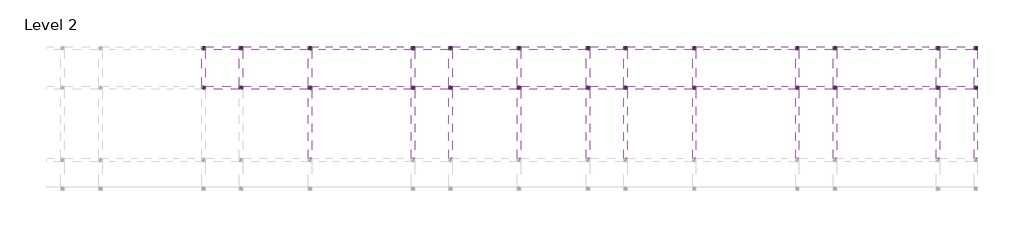
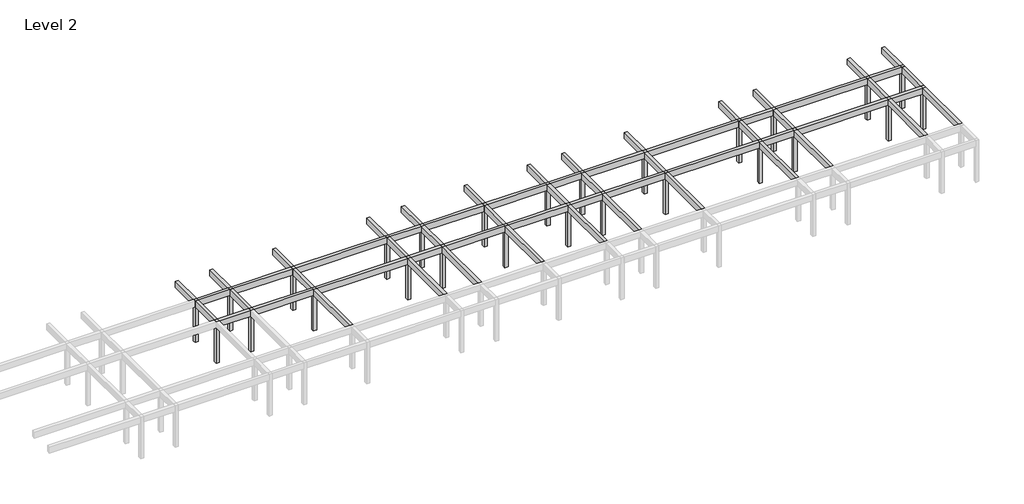
# One storey, part 3 of 3: 48 beams, 26 columns.
"""IFC4 building model written with IfcOpenShell, lengths in millimetres."""

from ifc_helpers import new_model, si_unit, frame, origin, place, context, project, spatial, polyline, outline, extrude, element, save

model = new_model("IFC4")

# Units and contexts
model_context = context("Model", 3, world=origin())
ifc_project = project(units=[si_unit("LENGTHUNIT", "METRE", prefix="MILLI")], contexts=[model_context])

# Site, building, storey
site = spatial("IfcSite", under=ifc_project)
building = spatial("IfcBuilding", under=site)
storey = spatial("IfcBuildingStorey", under=building, Name="Level 2", Elevation=4200.0)

# Beams
placement = place(None, origin())
element("IfcBeam", 1, ObjectType="M_Concrete-Rectangular Beam : 300 x 600mm", at=placement, inside=storey, context=model_context, shape_type="SweptSolid", body=[
    extrude(outline(polyline([(4295.953533, 12624.2507663), (4595.953533, 12624.2507663), (4595.953533, 9624.2507663), (4295.953533, 9624.2507663), (4295.953533, 12624.2507663)])), frame((0.0, 0.0, 7800.0), z_axis=(0.0, 0.0, 1.0), x_axis=(1.0, 0.0, 0.0)), (0.0, 0.0, 1.0), 600.0),
    extrude(outline(polyline([(4595.953533, 6174.2507663), (4295.953533, 6174.2507663), (4295.953533, 9324.2507663), (4595.953533, 9324.2507663), (4595.953533, 6174.2507663)])), frame((0.0, 0.0, 7800.0), z_axis=(0.0, 0.0, 1.0), x_axis=(1.0, 0.0, 0.0)), (0.0, 0.0, 1.0), 600.0),
])
element("IfcBeam", 2, ObjectType="M_Concrete-Rectangular Beam : 300 x 600mm", at=placement, inside=storey, context=model_context, shape_type="SweptSolid", body=[
    extrude(outline(polyline([(7595.953533, 12624.2507663), (7895.953533, 12624.2507663), (7895.953533, 9624.2507663), (7595.953533, 9624.2507663), (7595.953533, 12624.2507663)])), frame((0.0, 0.0, 7800.0), z_axis=(0.0, 0.0, 1.0), x_axis=(1.0, 0.0, 0.0)), (0.0, 0.0, 1.0), 600.0),
    extrude(outline(polyline([(7895.953533, 6174.2507663), (7595.953533, 6174.2507663), (7595.953533, 9324.2507663), (7895.953533, 9324.2507663), (7895.953533, 6174.2507663)])), frame((0.0, 0.0, 7800.0), z_axis=(0.0, 0.0, 1.0), x_axis=(1.0, 0.0, 0.0)), (0.0, 0.0, 1.0), 600.0),
])
element("IfcBeam", 3, ObjectType="M_Concrete-Rectangular Beam : 300 x 600mm", at=placement, inside=storey, context=model_context, shape_type="SweptSolid", body=[
    extrude(outline(polyline([(13595.953533, 5874.2507663), (13895.953533, 5874.2507663), (13895.953533, -125.7492337), (13595.953533, -125.7492337), (13595.953533, 5874.2507663)])), frame((0.0, 0.0, 7800.0), z_axis=(0.0, 0.0, 1.0), x_axis=(1.0, 0.0, 0.0)), (0.0, 0.0, 1.0), 600.0),
])
element("IfcBeam", 4, ObjectType="M_Concrete-Rectangular Beam : 300 x 600mm", at=placement, inside=storey, context=model_context, shape_type="SweptSolid", body=[
    extrude(outline(polyline([(13595.953533, 12624.2507663), (13895.953533, 12624.2507663), (13895.953533, 9624.2507663), (13595.953533, 9624.2507663), (13595.953533, 12624.2507663)])), frame((0.0, 0.0, 7800.0), z_axis=(0.0, 0.0, 1.0), x_axis=(1.0, 0.0, 0.0)), (0.0, 0.0, 1.0), 600.0),
    extrude(outline(polyline([(13895.953533, 6174.2507663), (13595.953533, 6174.2507663), (13595.953533, 9324.2507663), (13895.953533, 9324.2507663), (13895.953533, 6174.2507663)])), frame((0.0, 0.0, 7800.0), z_axis=(0.0, 0.0, 1.0), x_axis=(1.0, 0.0, 0.0)), (0.0, 0.0, 1.0), 600.0),
])
element("IfcBeam", 5, ObjectType="M_Concrete-Rectangular Beam : 300 x 600mm", at=placement, inside=storey, context=model_context, shape_type="SweptSolid", body=[
    extrude(outline(polyline([(25895.953533, 5874.2507663), (26195.953533, 5874.2507663), (26195.953533, -125.7492337), (25895.953533, -125.7492337), (25895.953533, 5874.2507663)])), frame((0.0, 0.0, 7800.0), z_axis=(0.0, 0.0, 1.0), x_axis=(1.0, 0.0, 0.0)), (0.0, 0.0, 1.0), 600.0),
])
element("IfcBeam", 6, ObjectType="M_Concrete-Rectangular Beam : 300 x 600mm", at=placement, inside=storey, context=model_context, shape_type="SweptSolid", body=[
    extrude(outline(polyline([(25895.953533, 12624.2507663), (26195.953533, 12624.2507663), (26195.953533, 9624.2507663), (25895.953533, 9624.2507663), (25895.953533, 12624.2507663)])), frame((0.0, 0.0, 7800.0), z_axis=(0.0, 0.0, 1.0), x_axis=(1.0, 0.0, 0.0)), (0.0, 0.0, 1.0), 600.0),
    extrude(outline(polyline([(26195.953533, 6174.2507663), (25895.953533, 6174.2507663), (25895.953533, 9324.2507663), (26195.953533, 9324.2507663), (26195.953533, 6174.2507663)])), frame((0.0, 0.0, 7800.0), z_axis=(0.0, 0.0, 1.0), x_axis=(1.0, 0.0, 0.0)), (0.0, 0.0, 1.0), 600.0),
])
element("IfcBeam", 7, ObjectType="M_Concrete-Rectangular Beam : 300 x 600mm", at=placement, inside=storey, context=model_context, shape_type="SweptSolid", body=[
    extrude(outline(polyline([(22595.953533, 5874.2507663), (22895.953533, 5874.2507663), (22895.953533, -125.7492337), (22595.953533, -125.7492337), (22595.953533, 5874.2507663)])), frame((0.0, 0.0, 7800.0), z_axis=(0.0, 0.0, 1.0), x_axis=(1.0, 0.0, 0.0)), (0.0, 0.0, 1.0), 600.0),
])
element("IfcBeam", 8, ObjectType="M_Concrete-Rectangular Beam : 300 x 600mm", at=placement, inside=storey, context=model_context, shape_type="SweptSolid", body=[
    extrude(outline(polyline([(22595.953533, 12624.2507663), (22895.953533, 12624.2507663), (22895.953533, 9624.2507663), (22595.953533, 9624.2507663), (22595.953533, 12624.2507663)])), frame((0.0, 0.0, 7800.0), z_axis=(0.0, 0.0, 1.0), x_axis=(1.0, 0.0, 0.0)), (0.0, 0.0, 1.0), 600.0),
    extrude(outline(polyline([(22895.953533, 6174.2507663), (22595.953533, 6174.2507663), (22595.953533, 9324.2507663), (22895.953533, 9324.2507663), (22895.953533, 6174.2507663)])), frame((0.0, 0.0, 7800.0), z_axis=(0.0, 0.0, 1.0), x_axis=(1.0, 0.0, 0.0)), (0.0, 0.0, 1.0), 600.0),
])
element("IfcBeam", 9, ObjectType="M_Concrete-Rectangular Beam : 300 x 600mm", at=placement, inside=storey, context=model_context, shape_type="SweptSolid", body=[
    extrude(outline(polyline([(31895.953533, 5874.2507663), (32195.953533, 5874.2507663), (32195.953533, -125.7492337), (31895.953533, -125.7492337), (31895.953533, 5874.2507663)])), frame((0.0, 0.0, 7800.0), z_axis=(0.0, 0.0, 1.0), x_axis=(1.0, 0.0, 0.0)), (0.0, 0.0, 1.0), 600.0),
])
element("IfcBeam", 10, ObjectType="M_Concrete-Rectangular Beam : 300 x 600mm", at=placement, inside=storey, context=model_context, shape_type="SweptSolid", body=[
    extrude(outline(polyline([(31895.953533, 12624.2507663), (32195.953533, 12624.2507663), (32195.953533, 9624.2507663), (31895.953533, 9624.2507663), (31895.953533, 12624.2507663)])), frame((0.0, 0.0, 7800.0), z_axis=(0.0, 0.0, 1.0), x_axis=(1.0, 0.0, 0.0)), (0.0, 0.0, 1.0), 600.0),
    extrude(outline(polyline([(31895.953533, 9324.2507663), (32195.953533, 9324.2507663), (32195.953533, 6174.2507663), (31895.953533, 6174.2507663), (31895.953533, 9324.2507663)])), frame((0.0, 0.0, 7800.0), z_axis=(0.0, 0.0, 1.0), x_axis=(1.0, 0.0, 0.0)), (0.0, 0.0, 1.0), 600.0),
])
element("IfcBeam", 11, ObjectType="M_Concrete-Rectangular Beam : 300 x 600mm", at=placement, inside=storey, context=model_context, shape_type="SweptSolid", body=[
    extrude(outline(polyline([(37895.953533, 5874.2507663), (38195.953533, 5874.2507663), (38195.953533, -125.7492337), (37895.953533, -125.7492337), (37895.953533, 5874.2507663)])), frame((0.0, 0.0, 7800.0), z_axis=(0.0, 0.0, 1.0), x_axis=(1.0, 0.0, 0.0)), (0.0, 0.0, 1.0), 600.0),
])
element("IfcBeam", 12, ObjectType="M_Concrete-Rectangular Beam : 300 x 600mm", at=placement, inside=storey, context=model_context, shape_type="SweptSolid", body=[
    extrude(outline(polyline([(37895.953533, 12624.2507663), (38195.953533, 12624.2507663), (38195.953533, 9624.2507663), (37895.953533, 9624.2507663), (37895.953533, 12624.2507663)])), frame((0.0, 0.0, 7800.0), z_axis=(0.0, 0.0, 1.0), x_axis=(1.0, 0.0, 0.0)), (0.0, 0.0, 1.0), 600.0),
    extrude(outline(polyline([(37895.953533, 9324.2507663), (38195.953533, 9324.2507663), (38195.953533, 6174.2507663), (37895.953533, 6174.2507663), (37895.953533, 9324.2507663)])), frame((0.0, 0.0, 7800.0), z_axis=(0.0, 0.0, 1.0), x_axis=(1.0, 0.0, 0.0)), (0.0, 0.0, 1.0), 600.0),
])
element("IfcBeam", 13, ObjectType="M_Concrete-Rectangular Beam : 300 x 600mm", at=placement, inside=storey, context=model_context, shape_type="SweptSolid", body=[
    extrude(outline(polyline([(41195.953533, 5874.2507663), (41495.953533, 5874.2507663), (41495.953533, -125.7492337), (41195.953533, -125.7492337), (41195.953533, 5874.2507663)])), frame((0.0, 0.0, 7800.0), z_axis=(0.0, 0.0, 1.0), x_axis=(1.0, 0.0, 0.0)), (0.0, 0.0, 1.0), 600.0),
])
element("IfcBeam", 14, ObjectType="M_Concrete-Rectangular Beam : 300 x 600mm", at=placement, inside=storey, context=model_context, shape_type="SweptSolid", body=[
    extrude(outline(polyline([(41195.953533, 12624.2507663), (41495.953533, 12624.2507663), (41495.953533, 9624.2507663), (41195.953533, 9624.2507663), (41195.953533, 12624.2507663)])), frame((0.0, 0.0, 7800.0), z_axis=(0.0, 0.0, 1.0), x_axis=(1.0, 0.0, 0.0)), (0.0, 0.0, 1.0), 600.0),
    extrude(outline(polyline([(41195.953533, 9324.2507663), (41495.953533, 9324.2507663), (41495.953533, 6174.2507663), (41195.953533, 6174.2507663), (41195.953533, 9324.2507663)])), frame((0.0, 0.0, 7800.0), z_axis=(0.0, 0.0, 1.0), x_axis=(1.0, 0.0, 0.0)), (0.0, 0.0, 1.0), 600.0),
])
element("IfcBeam", 15, ObjectType="M_Concrete-Rectangular Beam : 300 x 600mm", at=placement, inside=storey, context=model_context, shape_type="SweptSolid", body=[
    extrude(outline(polyline([(47195.953533, 5874.2507663), (47495.953533, 5874.2507663), (47495.953533, -125.7492337), (47195.953533, -125.7492337), (47195.953533, 5874.2507663)])), frame((0.0, 0.0, 7800.0), z_axis=(0.0, 0.0, 1.0), x_axis=(1.0, 0.0, 0.0)), (0.0, 0.0, 1.0), 600.0),
])
element("IfcBeam", 16, ObjectType="M_Concrete-Rectangular Beam : 300 x 600mm", at=placement, inside=storey, context=model_context, shape_type="SweptSolid", body=[
    extrude(outline(polyline([(47195.953533, 12624.2507663), (47495.953533, 12624.2507663), (47495.953533, 9624.2507663), (47195.953533, 9624.2507663), (47195.953533, 12624.2507663)])), frame((0.0, 0.0, 7800.0), z_axis=(0.0, 0.0, 1.0), x_axis=(1.0, 0.0, 0.0)), (0.0, 0.0, 1.0), 600.0),
    extrude(outline(polyline([(47195.953533, 9324.2507663), (47495.953533, 9324.2507663), (47495.953533, 6174.2507663), (47195.953533, 6174.2507663), (47195.953533, 9324.2507663)])), frame((0.0, 0.0, 7800.0), z_axis=(0.0, 0.0, 1.0), x_axis=(1.0, 0.0, 0.0)), (0.0, 0.0, 1.0), 600.0),
])
element("IfcBeam", 17, ObjectType="M_Concrete-Rectangular Beam : 300 x 600mm", at=placement, inside=storey, context=model_context, shape_type="SweptSolid", body=[
    extrude(outline(polyline([(56195.953533, 5874.2507663), (56495.953533, 5874.2507663), (56495.953533, -125.7492337), (56195.953533, -125.7492337), (56195.953533, 5874.2507663)])), frame((0.0, 0.0, 7800.0), z_axis=(0.0, 0.0, 1.0), x_axis=(1.0, 0.0, 0.0)), (0.0, 0.0, 1.0), 600.0),
])
element("IfcBeam", 18, ObjectType="M_Concrete-Rectangular Beam : 300 x 600mm", at=placement, inside=storey, context=model_context, shape_type="SweptSolid", body=[
    extrude(outline(polyline([(56195.953533, 12624.2507663), (56495.953533, 12624.2507663), (56495.953533, 9624.2507663), (56195.953533, 9624.2507663), (56195.953533, 12624.2507663)])), frame((0.0, 0.0, 7800.0), z_axis=(0.0, 0.0, 1.0), x_axis=(1.0, 0.0, 0.0)), (0.0, 0.0, 1.0), 600.0),
    extrude(outline(polyline([(56495.953533, 6174.2507663), (56195.953533, 6174.2507663), (56195.953533, 9324.2507663), (56495.953533, 9324.2507663), (56495.953533, 6174.2507663)])), frame((0.0, 0.0, 7800.0), z_axis=(0.0, 0.0, 1.0), x_axis=(1.0, 0.0, 0.0)), (0.0, 0.0, 1.0), 600.0),
])
element("IfcBeam", 19, ObjectType="M_Concrete-Rectangular Beam : 300 x 600mm", at=placement, inside=storey, context=model_context, shape_type="SweptSolid", body=[
    extrude(outline(polyline([(59495.953533, 5874.2507663), (59795.953533, 5874.2507663), (59795.953533, -125.7492337), (59495.953533, -125.7492337), (59495.953533, 5874.2507663)])), frame((0.0, 0.0, 7800.0), z_axis=(0.0, 0.0, 1.0), x_axis=(1.0, 0.0, 0.0)), (0.0, 0.0, 1.0), 600.0),
])
element("IfcBeam", 20, ObjectType="M_Concrete-Rectangular Beam : 300 x 600mm", at=placement, inside=storey, context=model_context, shape_type="SweptSolid", body=[
    extrude(outline(polyline([(59495.953533, 12624.2507663), (59795.953533, 12624.2507663), (59795.953533, 9624.2507663), (59495.953533, 9624.2507663), (59495.953533, 12624.2507663)])), frame((0.0, 0.0, 7800.0), z_axis=(0.0, 0.0, 1.0), x_axis=(1.0, 0.0, 0.0)), (0.0, 0.0, 1.0), 600.0),
    extrude(outline(polyline([(59795.953533, 6174.2507663), (59495.953533, 6174.2507663), (59495.953533, 9324.2507663), (59795.953533, 9324.2507663), (59795.953533, 6174.2507663)])), frame((0.0, 0.0, 7800.0), z_axis=(0.0, 0.0, 1.0), x_axis=(1.0, 0.0, 0.0)), (0.0, 0.0, 1.0), 600.0),
])
element("IfcBeam", 21, ObjectType="M_Concrete-Rectangular Beam : 300 x 600mm", at=placement, inside=storey, context=model_context, shape_type="SweptSolid", body=[
    extrude(outline(polyline([(68495.953533, 5874.2507663), (68795.953533, 5874.2507663), (68795.953533, -125.7492337), (68495.953533, -125.7492337), (68495.953533, 5874.2507663)])), frame((0.0, 0.0, 7800.0), z_axis=(0.0, 0.0, 1.0), x_axis=(1.0, 0.0, 0.0)), (0.0, 0.0, 1.0), 600.0),
])
element("IfcBeam", 22, ObjectType="M_Concrete-Rectangular Beam : 300 x 600mm", at=placement, inside=storey, context=model_context, shape_type="SweptSolid", body=[
    extrude(outline(polyline([(68495.953533, 12624.2507663), (68795.953533, 12624.2507663), (68795.953533, 9624.2507663), (68495.953533, 9624.2507663), (68495.953533, 12624.2507663)])), frame((0.0, 0.0, 7800.0), z_axis=(0.0, 0.0, 1.0), x_axis=(1.0, 0.0, 0.0)), (0.0, 0.0, 1.0), 600.0),
    extrude(outline(polyline([(68795.953533, 6174.2507663), (68495.953533, 6174.2507663), (68495.953533, 9324.2507663), (68795.953533, 9324.2507663), (68795.953533, 6174.2507663)])), frame((0.0, 0.0, 7800.0), z_axis=(0.0, 0.0, 1.0), x_axis=(1.0, 0.0, 0.0)), (0.0, 0.0, 1.0), 600.0),
])
element("IfcBeam", 23, ObjectType="M_Concrete-Rectangular Beam : 300 x 600mm", at=placement, inside=storey, context=model_context, shape_type="SweptSolid", body=[
    extrude(outline(polyline([(71795.953533, 5874.2507663), (72095.953533, 5874.2507663), (72095.953533, -125.7492337), (71795.953533, -125.7492337), (71795.953533, 5874.2507663)])), frame((0.0, 0.0, 7800.0), z_axis=(0.0, 0.0, 1.0), x_axis=(1.0, 0.0, 0.0)), (0.0, 0.0, 1.0), 600.0),
])
element("IfcBeam", 24, ObjectType="M_Concrete-Rectangular Beam : 300 x 600mm", at=placement, inside=storey, context=model_context, shape_type="SweptSolid", body=[
    extrude(outline(polyline([(71795.953533, 12624.2507663), (72095.953533, 12624.2507663), (72095.953533, 9624.2507663), (71795.953533, 9624.2507663), (71795.953533, 12624.2507663)])), frame((0.0, 0.0, 7800.0), z_axis=(0.0, 0.0, 1.0), x_axis=(1.0, 0.0, 0.0)), (0.0, 0.0, 1.0), 600.0),
    extrude(outline(polyline([(71795.953533, 9324.2507663), (72095.953533, 9324.2507663), (72095.953533, 6174.2507663), (71795.953533, 6174.2507663), (71795.953533, 9324.2507663)])), frame((0.0, 0.0, 7800.0), z_axis=(0.0, 0.0, 1.0), x_axis=(1.0, 0.0, 0.0)), (0.0, 0.0, 1.0), 600.0),
])
element("IfcBeam", 25, ObjectType="M_Concrete-Rectangular Beam : 300 x 600mm", at=placement, inside=storey, context=model_context, shape_type="SweptSolid", body=[
    extrude(outline(polyline([(4595.953533, 9324.2507663), (4595.953533, 9624.2507663), (7595.953533, 9624.2507663), (7595.953533, 9324.2507663), (4595.953533, 9324.2507663)])), frame((0.0, 0.0, 7800.0), z_axis=(0.0, 0.0, 1.0), x_axis=(1.0, 0.0, 0.0)), (0.0, 0.0, 1.0), 600.0),
])
element("IfcBeam", 26, ObjectType="M_Concrete-Rectangular Beam : 300 x 600mm", at=placement, inside=storey, context=model_context, shape_type="SweptSolid", body=[
    extrude(outline(polyline([(7895.953533, 9324.2507663), (7895.953533, 9624.2507663), (13595.953533, 9624.2507663), (13595.953533, 9324.2507663), (7895.953533, 9324.2507663)])), frame((0.0, 0.0, 7800.0), z_axis=(0.0, 0.0, 1.0), x_axis=(1.0, 0.0, 0.0)), (0.0, 0.0, 1.0), 600.0),
])
element("IfcBeam", 27, ObjectType="M_Concrete-Rectangular Beam : 300 x 600mm", at=placement, inside=storey, context=model_context, shape_type="SweptSolid", body=[
    extrude(outline(polyline([(13895.953533, 9324.2507663), (13895.953533, 9624.2507663), (22595.953533, 9624.2507663), (22595.953533, 9324.2507663), (13895.953533, 9324.2507663)])), frame((0.0, 0.0, 7800.0), z_axis=(0.0, 0.0, 1.0), x_axis=(1.0, 0.0, 0.0)), (0.0, 0.0, 1.0), 600.0),
])
element("IfcBeam", 28, ObjectType="M_Concrete-Rectangular Beam : 300 x 600mm", at=placement, inside=storey, context=model_context, shape_type="SweptSolid", body=[
    extrude(outline(polyline([(25895.953533, 9624.2507663), (25895.953533, 9324.2507663), (22895.953533, 9324.2507663), (22895.953533, 9624.2507663), (25895.953533, 9624.2507663)])), frame((0.0, 0.0, 7800.0), z_axis=(0.0, 0.0, 1.0), x_axis=(1.0, 0.0, 0.0)), (0.0, 0.0, 1.0), 600.0),
])
element("IfcBeam", 29, ObjectType="M_Concrete-Rectangular Beam : 300 x 600mm", at=placement, inside=storey, context=model_context, shape_type="SweptSolid", body=[
    extrude(outline(polyline([(26195.953533, 9324.2507663), (26195.953533, 9624.2507663), (31895.953533, 9624.2507663), (31895.953533, 9324.2507663), (26195.953533, 9324.2507663)])), frame((0.0, 0.0, 7800.0), z_axis=(0.0, 0.0, 1.0), x_axis=(1.0, 0.0, 0.0)), (0.0, 0.0, 1.0), 600.0),
])
element("IfcBeam", 30, ObjectType="M_Concrete-Rectangular Beam : 300 x 600mm", at=placement, inside=storey, context=model_context, shape_type="SweptSolid", body=[
    extrude(outline(polyline([(32195.953533, 9324.2507663), (32195.953533, 9624.2507663), (37895.953533, 9624.2507663), (37895.953533, 9324.2507663), (32195.953533, 9324.2507663)])), frame((0.0, 0.0, 7800.0), z_axis=(0.0, 0.0, 1.0), x_axis=(1.0, 0.0, 0.0)), (0.0, 0.0, 1.0), 600.0),
])
element("IfcBeam", 31, ObjectType="M_Concrete-Rectangular Beam : 300 x 600mm", at=placement, inside=storey, context=model_context, shape_type="SweptSolid", body=[
    extrude(outline(polyline([(38195.953533, 9324.2507663), (38195.953533, 9624.2507663), (41195.953533, 9624.2507663), (41195.953533, 9324.2507663), (38195.953533, 9324.2507663)])), frame((0.0, 0.0, 7800.0), z_axis=(0.0, 0.0, 1.0), x_axis=(1.0, 0.0, 0.0)), (0.0, 0.0, 1.0), 600.0),
])
element("IfcBeam", 32, ObjectType="M_Concrete-Rectangular Beam : 300 x 600mm", at=placement, inside=storey, context=model_context, shape_type="SweptSolid", body=[
    extrude(outline(polyline([(41495.953533, 9324.2507663), (41495.953533, 9624.2507663), (47195.953533, 9624.2507663), (47195.953533, 9324.2507663), (41495.953533, 9324.2507663)])), frame((0.0, 0.0, 7800.0), z_axis=(0.0, 0.0, 1.0), x_axis=(1.0, 0.0, 0.0)), (0.0, 0.0, 1.0), 600.0),
])
element("IfcBeam", 33, ObjectType="M_Concrete-Rectangular Beam : 300 x 600mm", at=placement, inside=storey, context=model_context, shape_type="SweptSolid", body=[
    extrude(outline(polyline([(47495.953533, 9324.2507663), (47495.953533, 9624.2507663), (56195.953533, 9624.2507663), (56195.953533, 9324.2507663), (47495.953533, 9324.2507663)])), frame((0.0, 0.0, 7800.0), z_axis=(0.0, 0.0, 1.0), x_axis=(1.0, 0.0, 0.0)), (0.0, 0.0, 1.0), 600.0),
])
element("IfcBeam", 34, ObjectType="M_Concrete-Rectangular Beam : 300 x 600mm", at=placement, inside=storey, context=model_context, shape_type="SweptSolid", body=[
    extrude(outline(polyline([(56495.953533, 9324.2507663), (56495.953533, 9624.2507663), (59495.953533, 9624.2507663), (59495.953533, 9324.2507663), (56495.953533, 9324.2507663)])), frame((0.0, 0.0, 7800.0), z_axis=(0.0, 0.0, 1.0), x_axis=(1.0, 0.0, 0.0)), (0.0, 0.0, 1.0), 600.0),
])
element("IfcBeam", 35, ObjectType="M_Concrete-Rectangular Beam : 300 x 600mm", at=placement, inside=storey, context=model_context, shape_type="SweptSolid", body=[
    extrude(outline(polyline([(59795.953533, 9324.2507663), (59795.953533, 9624.2507663), (68495.953533, 9624.2507663), (68495.953533, 9324.2507663), (59795.953533, 9324.2507663)])), frame((0.0, 0.0, 7800.0), z_axis=(0.0, 0.0, 1.0), x_axis=(1.0, 0.0, 0.0)), (0.0, 0.0, 1.0), 600.0),
])
element("IfcBeam", 36, ObjectType="M_Concrete-Rectangular Beam : 300 x 600mm", at=placement, inside=storey, context=model_context, shape_type="SweptSolid", body=[
    extrude(outline(polyline([(68795.953533, 9324.2507663), (68795.953533, 9624.2507663), (71795.953533, 9624.2507663), (71795.953533, 9324.2507663), (68795.953533, 9324.2507663)])), frame((0.0, 0.0, 7800.0), z_axis=(0.0, 0.0, 1.0), x_axis=(1.0, 0.0, 0.0)), (0.0, 0.0, 1.0), 600.0),
])
element("IfcBeam", 37, ObjectType="M_Concrete-Rectangular Beam : 300 x 600mm", at=placement, inside=storey, context=model_context, shape_type="SweptSolid", body=[
    extrude(outline(polyline([(4595.953533, 5874.2507663), (4595.953533, 6174.2507663), (7595.953533, 6174.2507663), (7595.953533, 5874.2507663), (4595.953533, 5874.2507663)])), frame((0.0, 0.0, 7800.0), z_axis=(0.0, 0.0, 1.0), x_axis=(1.0, 0.0, 0.0)), (0.0, 0.0, 1.0), 600.0),
])
element("IfcBeam", 38, ObjectType="M_Concrete-Rectangular Beam : 300 x 600mm", at=placement, inside=storey, context=model_context, shape_type="SweptSolid", body=[
    extrude(outline(polyline([(7895.953533, 5874.2507663), (7895.953533, 6174.2507663), (13595.953533, 6174.2507663), (13595.953533, 5874.2507663), (7895.953533, 5874.2507663)])), frame((0.0, 0.0, 7800.0), z_axis=(0.0, 0.0, 1.0), x_axis=(1.0, 0.0, 0.0)), (0.0, 0.0, 1.0), 600.0),
])
element("IfcBeam", 39, ObjectType="M_Concrete-Rectangular Beam : 300 x 600mm", at=placement, inside=storey, context=model_context, shape_type="SweptSolid", body=[
    extrude(outline(polyline([(13895.953533, 5874.2507663), (13895.953533, 6174.2507663), (22595.953533, 6174.2507663), (22595.953533, 5874.2507663), (13895.953533, 5874.2507663)])), frame((0.0, 0.0, 7800.0), z_axis=(0.0, 0.0, 1.0), x_axis=(1.0, 0.0, 0.0)), (0.0, 0.0, 1.0), 600.0),
])
element("IfcBeam", 40, ObjectType="M_Concrete-Rectangular Beam : 300 x 600mm", at=placement, inside=storey, context=model_context, shape_type="SweptSolid", body=[
    extrude(outline(polyline([(25895.953533, 6174.2507663), (25895.953533, 5874.2507663), (22895.953533, 5874.2507663), (22895.953533, 6174.2507663), (25895.953533, 6174.2507663)])), frame((0.0, 0.0, 7800.0), z_axis=(0.0, 0.0, 1.0), x_axis=(1.0, 0.0, 0.0)), (0.0, 0.0, 1.0), 600.0),
])
element("IfcBeam", 41, ObjectType="M_Concrete-Rectangular Beam : 300 x 600mm", at=placement, inside=storey, context=model_context, shape_type="SweptSolid", body=[
    extrude(outline(polyline([(26195.953533, 5874.2507663), (26195.953533, 6174.2507663), (31895.953533, 6174.2507663), (31895.953533, 5874.2507663), (26195.953533, 5874.2507663)])), frame((0.0, 0.0, 7800.0), z_axis=(0.0, 0.0, 1.0), x_axis=(1.0, 0.0, 0.0)), (0.0, 0.0, 1.0), 600.0),
])
element("IfcBeam", 42, ObjectType="M_Concrete-Rectangular Beam : 300 x 600mm", at=placement, inside=storey, context=model_context, shape_type="SweptSolid", body=[
    extrude(outline(polyline([(32195.953533, 5874.2507663), (32195.953533, 6174.2507663), (37895.953533, 6174.2507663), (37895.953533, 5874.2507663), (32195.953533, 5874.2507663)])), frame((0.0, 0.0, 7800.0), z_axis=(0.0, 0.0, 1.0), x_axis=(1.0, 0.0, 0.0)), (0.0, 0.0, 1.0), 600.0),
])
element("IfcBeam", 43, ObjectType="M_Concrete-Rectangular Beam : 300 x 600mm", at=placement, inside=storey, context=model_context, shape_type="SweptSolid", body=[
    extrude(outline(polyline([(38195.953533, 5874.2507663), (38195.953533, 6174.2507663), (41195.953533, 6174.2507663), (41195.953533, 5874.2507663), (38195.953533, 5874.2507663)])), frame((0.0, 0.0, 7800.0), z_axis=(0.0, 0.0, 1.0), x_axis=(1.0, 0.0, 0.0)), (0.0, 0.0, 1.0), 600.0),
])
element("IfcBeam", 44, ObjectType="M_Concrete-Rectangular Beam : 300 x 600mm", at=placement, inside=storey, context=model_context, shape_type="SweptSolid", body=[
    extrude(outline(polyline([(41495.953533, 5874.2507663), (41495.953533, 6174.2507663), (47195.953533, 6174.2507663), (47195.953533, 5874.2507663), (41495.953533, 5874.2507663)])), frame((0.0, 0.0, 7800.0), z_axis=(0.0, 0.0, 1.0), x_axis=(1.0, 0.0, 0.0)), (0.0, 0.0, 1.0), 600.0),
])
element("IfcBeam", 45, ObjectType="M_Concrete-Rectangular Beam : 300 x 600mm", at=placement, inside=storey, context=model_context, shape_type="SweptSolid", body=[
    extrude(outline(polyline([(47495.953533, 5874.2507663), (47495.953533, 6174.2507663), (56195.953533, 6174.2507663), (56195.953533, 5874.2507663), (47495.953533, 5874.2507663)])), frame((0.0, 0.0, 7800.0), z_axis=(0.0, 0.0, 1.0), x_axis=(1.0, 0.0, 0.0)), (0.0, 0.0, 1.0), 600.0),
])
element("IfcBeam", 46, ObjectType="M_Concrete-Rectangular Beam : 300 x 600mm", at=placement, inside=storey, context=model_context, shape_type="SweptSolid", body=[
    extrude(outline(polyline([(56495.953533, 5874.2507663), (56495.953533, 6174.2507663), (59495.953533, 6174.2507663), (59495.953533, 5874.2507663), (56495.953533, 5874.2507663)])), frame((0.0, 0.0, 7800.0), z_axis=(0.0, 0.0, 1.0), x_axis=(1.0, 0.0, 0.0)), (0.0, 0.0, 1.0), 600.0),
])
element("IfcBeam", 47, ObjectType="M_Concrete-Rectangular Beam : 300 x 600mm", at=placement, inside=storey, context=model_context, shape_type="SweptSolid", body=[
    extrude(outline(polyline([(59795.953533, 5874.2507663), (59795.953533, 6174.2507663), (68495.953533, 6174.2507663), (68495.953533, 5874.2507663), (59795.953533, 5874.2507663)])), frame((0.0, 0.0, 7800.0), z_axis=(0.0, 0.0, 1.0), x_axis=(1.0, 0.0, 0.0)), (0.0, 0.0, 1.0), 600.0),
])
element("IfcBeam", 48, ObjectType="M_Concrete-Rectangular Beam : 300 x 600mm", at=placement, inside=storey, context=model_context, shape_type="SweptSolid", body=[
    extrude(outline(polyline([(68795.953533, 5874.2507663), (68795.953533, 6174.2507663), (71795.953533, 6174.2507663), (71795.953533, 5874.2507663), (68795.953533, 5874.2507663)])), frame((0.0, 0.0, 7800.0), z_axis=(0.0, 0.0, 1.0), x_axis=(1.0, 0.0, 0.0)), (0.0, 0.0, 1.0), 600.0),
])

# Columns
element("IfcColumn", 49, ObjectType="M_Concrete-Square-Column : 300 x 300mm", at=placement, inside=storey, context=model_context, shape_type="SweptSolid", body=[
    extrude(outline(polyline([(4595.953533, 9624.2507663), (4595.953533, 9324.2507663), (4295.953533, 9324.2507663), (4295.953533, 9624.2507663), (4595.953533, 9624.2507663)])), frame((0.0, 0.0, 4200.0), z_axis=(0.0, 0.0, 1.0), x_axis=(1.0, 0.0, 0.0)), (0.0, 0.0, 1.0), 4200.0),
])
element("IfcColumn", 50, ObjectType="M_Concrete-Square-Column : 300 x 300mm", at=placement, inside=storey, context=model_context, shape_type="SweptSolid", body=[
    extrude(outline(polyline([(4595.953533, 6174.2507663), (4595.953533, 5874.2507663), (4295.953533, 5874.2507663), (4295.953533, 6174.2507663), (4595.953533, 6174.2507663)])), frame((0.0, 0.0, 4200.0), z_axis=(0.0, 0.0, 1.0), x_axis=(1.0, 0.0, 0.0)), (0.0, 0.0, 1.0), 4200.0),
])
element("IfcColumn", 51, ObjectType="M_Concrete-Square-Column : 300 x 300mm", at=placement, inside=storey, context=model_context, shape_type="SweptSolid", body=[
    extrude(outline(polyline([(7895.953533, 9624.2507663), (7895.953533, 9324.2507663), (7595.953533, 9324.2507663), (7595.953533, 9624.2507663), (7895.953533, 9624.2507663)])), frame((0.0, 0.0, 4200.0), z_axis=(0.0, 0.0, 1.0), x_axis=(1.0, 0.0, 0.0)), (0.0, 0.0, 1.0), 4200.0),
])
element("IfcColumn", 52, ObjectType="M_Concrete-Square-Column : 300 x 300mm", at=placement, inside=storey, context=model_context, shape_type="SweptSolid", body=[
    extrude(outline(polyline([(7895.953533, 6174.2507663), (7895.953533, 5874.2507663), (7595.953533, 5874.2507663), (7595.953533, 6174.2507663), (7895.953533, 6174.2507663)])), frame((0.0, 0.0, 4200.0), z_axis=(0.0, 0.0, 1.0), x_axis=(1.0, 0.0, 0.0)), (0.0, 0.0, 1.0), 4200.0),
])
element("IfcColumn", 53, ObjectType="M_Concrete-Square-Column : 300 x 300mm", at=placement, inside=storey, context=model_context, shape_type="SweptSolid", body=[
    extrude(outline(polyline([(13895.953533, 9624.2507663), (13895.953533, 9324.2507663), (13595.953533, 9324.2507663), (13595.953533, 9624.2507663), (13895.953533, 9624.2507663)])), frame((0.0, 0.0, 4200.0), z_axis=(0.0, 0.0, 1.0), x_axis=(1.0, 0.0, 0.0)), (0.0, 0.0, 1.0), 4200.0),
])
element("IfcColumn", 54, ObjectType="M_Concrete-Square-Column : 300 x 300mm", at=placement, inside=storey, context=model_context, shape_type="SweptSolid", body=[
    extrude(outline(polyline([(13895.953533, 6174.2507663), (13895.953533, 5874.2507663), (13595.953533, 5874.2507663), (13595.953533, 6174.2507663), (13895.953533, 6174.2507663)])), frame((0.0, 0.0, 4200.0), z_axis=(0.0, 0.0, 1.0), x_axis=(1.0, 0.0, 0.0)), (0.0, 0.0, 1.0), 4200.0),
])
element("IfcColumn", 55, ObjectType="M_Concrete-Square-Column : 300 x 300mm", at=placement, inside=storey, context=model_context, shape_type="SweptSolid", body=[
    extrude(outline(polyline([(26195.953533, 9624.2507663), (26195.953533, 9324.2507663), (25895.953533, 9324.2507663), (25895.953533, 9624.2507663), (26195.953533, 9624.2507663)])), frame((0.0, 0.0, 4200.0), z_axis=(0.0, 0.0, 1.0), x_axis=(1.0, 0.0, 0.0)), (0.0, 0.0, 1.0), 4200.0),
])
element("IfcColumn", 56, ObjectType="M_Concrete-Square-Column : 300 x 300mm", at=placement, inside=storey, context=model_context, shape_type="SweptSolid", body=[
    extrude(outline(polyline([(26195.953533, 6174.2507663), (26195.953533, 5874.2507663), (25895.953533, 5874.2507663), (25895.953533, 6174.2507663), (26195.953533, 6174.2507663)])), frame((0.0, 0.0, 4200.0), z_axis=(0.0, 0.0, 1.0), x_axis=(1.0, 0.0, 0.0)), (0.0, 0.0, 1.0), 4200.0),
])
element("IfcColumn", 57, ObjectType="M_Concrete-Square-Column : 300 x 300mm", at=placement, inside=storey, context=model_context, shape_type="SweptSolid", body=[
    extrude(outline(polyline([(22895.953533, 9624.2507663), (22895.953533, 9324.2507663), (22595.953533, 9324.2507663), (22595.953533, 9624.2507663), (22895.953533, 9624.2507663)])), frame((0.0, 0.0, 4200.0), z_axis=(0.0, 0.0, 1.0), x_axis=(1.0, 0.0, 0.0)), (0.0, 0.0, 1.0), 4200.0),
])
element("IfcColumn", 58, ObjectType="M_Concrete-Square-Column : 300 x 300mm", at=placement, inside=storey, context=model_context, shape_type="SweptSolid", body=[
    extrude(outline(polyline([(22895.953533, 6174.2507663), (22895.953533, 5874.2507663), (22595.953533, 5874.2507663), (22595.953533, 6174.2507663), (22895.953533, 6174.2507663)])), frame((0.0, 0.0, 4200.0), z_axis=(0.0, 0.0, 1.0), x_axis=(1.0, 0.0, 0.0)), (0.0, 0.0, 1.0), 4200.0),
])
element("IfcColumn", 59, ObjectType="M_Concrete-Square-Column : 300 x 300mm", at=placement, inside=storey, context=model_context, shape_type="SweptSolid", body=[
    extrude(outline(polyline([(32195.953533, 9624.2507663), (32195.953533, 9324.2507663), (31895.953533, 9324.2507663), (31895.953533, 9624.2507663), (32195.953533, 9624.2507663)])), frame((0.0, 0.0, 4200.0), z_axis=(0.0, 0.0, 1.0), x_axis=(1.0, 0.0, 0.0)), (0.0, 0.0, 1.0), 4200.0),
])
element("IfcColumn", 60, ObjectType="M_Concrete-Square-Column : 300 x 300mm", at=placement, inside=storey, context=model_context, shape_type="SweptSolid", body=[
    extrude(outline(polyline([(32195.953533, 6174.2507663), (32195.953533, 5874.2507663), (31895.953533, 5874.2507663), (31895.953533, 6174.2507663), (32195.953533, 6174.2507663)])), frame((0.0, 0.0, 4200.0), z_axis=(0.0, 0.0, 1.0), x_axis=(1.0, 0.0, 0.0)), (0.0, 0.0, 1.0), 4200.0),
])
element("IfcColumn", 61, ObjectType="M_Concrete-Square-Column : 300 x 300mm", at=placement, inside=storey, context=model_context, shape_type="SweptSolid", body=[
    extrude(outline(polyline([(38195.953533, 9624.2507663), (38195.953533, 9324.2507663), (37895.953533, 9324.2507663), (37895.953533, 9624.2507663), (38195.953533, 9624.2507663)])), frame((0.0, 0.0, 4200.0), z_axis=(0.0, 0.0, 1.0), x_axis=(1.0, 0.0, 0.0)), (0.0, 0.0, 1.0), 4200.0),
])
element("IfcColumn", 62, ObjectType="M_Concrete-Square-Column : 300 x 300mm", at=placement, inside=storey, context=model_context, shape_type="SweptSolid", body=[
    extrude(outline(polyline([(38195.953533, 6174.2507663), (38195.953533, 5874.2507663), (37895.953533, 5874.2507663), (37895.953533, 6174.2507663), (38195.953533, 6174.2507663)])), frame((0.0, 0.0, 4200.0), z_axis=(0.0, 0.0, 1.0), x_axis=(1.0, 0.0, 0.0)), (0.0, 0.0, 1.0), 4200.0),
])
element("IfcColumn", 63, ObjectType="M_Concrete-Square-Column : 300 x 300mm", at=placement, inside=storey, context=model_context, shape_type="SweptSolid", body=[
    extrude(outline(polyline([(41495.953533, 9624.2507663), (41495.953533, 9324.2507663), (41195.953533, 9324.2507663), (41195.953533, 9624.2507663), (41495.953533, 9624.2507663)])), frame((0.0, 0.0, 4200.0), z_axis=(0.0, 0.0, 1.0), x_axis=(1.0, 0.0, 0.0)), (0.0, 0.0, 1.0), 4200.0),
])
element("IfcColumn", 64, ObjectType="M_Concrete-Square-Column : 300 x 300mm", at=placement, inside=storey, context=model_context, shape_type="SweptSolid", body=[
    extrude(outline(polyline([(41495.953533, 6174.2507663), (41495.953533, 5874.2507663), (41195.953533, 5874.2507663), (41195.953533, 6174.2507663), (41495.953533, 6174.2507663)])), frame((0.0, 0.0, 4200.0), z_axis=(0.0, 0.0, 1.0), x_axis=(1.0, 0.0, 0.0)), (0.0, 0.0, 1.0), 4200.0),
])
element("IfcColumn", 65, ObjectType="M_Concrete-Square-Column : 300 x 300mm", at=placement, inside=storey, context=model_context, shape_type="SweptSolid", body=[
    extrude(outline(polyline([(47495.953533, 9624.2507663), (47495.953533, 9324.2507663), (47195.953533, 9324.2507663), (47195.953533, 9624.2507663), (47495.953533, 9624.2507663)])), frame((0.0, 0.0, 4200.0), z_axis=(0.0, 0.0, 1.0), x_axis=(1.0, 0.0, 0.0)), (0.0, 0.0, 1.0), 4200.0),
])
element("IfcColumn", 66, ObjectType="M_Concrete-Square-Column : 300 x 300mm", at=placement, inside=storey, context=model_context, shape_type="SweptSolid", body=[
    extrude(outline(polyline([(47495.953533, 6174.2507663), (47495.953533, 5874.2507663), (47195.953533, 5874.2507663), (47195.953533, 6174.2507663), (47495.953533, 6174.2507663)])), frame((0.0, 0.0, 4200.0), z_axis=(0.0, 0.0, 1.0), x_axis=(1.0, 0.0, 0.0)), (0.0, 0.0, 1.0), 4200.0),
])
element("IfcColumn", 67, ObjectType="M_Concrete-Square-Column : 300 x 300mm", at=placement, inside=storey, context=model_context, shape_type="SweptSolid", body=[
    extrude(outline(polyline([(56495.953533, 9624.2507663), (56495.953533, 9324.2507663), (56195.953533, 9324.2507663), (56195.953533, 9624.2507663), (56495.953533, 9624.2507663)])), frame((0.0, 0.0, 4200.0), z_axis=(0.0, 0.0, 1.0), x_axis=(1.0, 0.0, 0.0)), (0.0, 0.0, 1.0), 4200.0),
])
element("IfcColumn", 68, ObjectType="M_Concrete-Square-Column : 300 x 300mm", at=placement, inside=storey, context=model_context, shape_type="SweptSolid", body=[
    extrude(outline(polyline([(56495.953533, 6174.2507663), (56495.953533, 5874.2507663), (56195.953533, 5874.2507663), (56195.953533, 6174.2507663), (56495.953533, 6174.2507663)])), frame((0.0, 0.0, 4200.0), z_axis=(0.0, 0.0, 1.0), x_axis=(1.0, 0.0, 0.0)), (0.0, 0.0, 1.0), 4200.0),
])
element("IfcColumn", 69, ObjectType="M_Concrete-Square-Column : 300 x 300mm", at=placement, inside=storey, context=model_context, shape_type="SweptSolid", body=[
    extrude(outline(polyline([(59795.953533, 9624.2507663), (59795.953533, 9324.2507663), (59495.953533, 9324.2507663), (59495.953533, 9624.2507663), (59795.953533, 9624.2507663)])), frame((0.0, 0.0, 4200.0), z_axis=(0.0, 0.0, 1.0), x_axis=(1.0, 0.0, 0.0)), (0.0, 0.0, 1.0), 4200.0),
])
element("IfcColumn", 70, ObjectType="M_Concrete-Square-Column : 300 x 300mm", at=placement, inside=storey, context=model_context, shape_type="SweptSolid", body=[
    extrude(outline(polyline([(59795.953533, 6174.2507663), (59795.953533, 5874.2507663), (59495.953533, 5874.2507663), (59495.953533, 6174.2507663), (59795.953533, 6174.2507663)])), frame((0.0, 0.0, 4200.0), z_axis=(0.0, 0.0, 1.0), x_axis=(1.0, 0.0, 0.0)), (0.0, 0.0, 1.0), 4200.0),
])
element("IfcColumn", 71, ObjectType="M_Concrete-Square-Column : 300 x 300mm", at=placement, inside=storey, context=model_context, shape_type="SweptSolid", body=[
    extrude(outline(polyline([(68795.953533, 9624.2507663), (68795.953533, 9324.2507663), (68495.953533, 9324.2507663), (68495.953533, 9624.2507663), (68795.953533, 9624.2507663)])), frame((0.0, 0.0, 4200.0), z_axis=(0.0, 0.0, 1.0), x_axis=(1.0, 0.0, 0.0)), (0.0, 0.0, 1.0), 4200.0),
])
element("IfcColumn", 72, ObjectType="M_Concrete-Square-Column : 300 x 300mm", at=placement, inside=storey, context=model_context, shape_type="SweptSolid", body=[
    extrude(outline(polyline([(68795.953533, 6174.2507663), (68795.953533, 5874.2507663), (68495.953533, 5874.2507663), (68495.953533, 6174.2507663), (68795.953533, 6174.2507663)])), frame((0.0, 0.0, 4200.0), z_axis=(0.0, 0.0, 1.0), x_axis=(1.0, 0.0, 0.0)), (0.0, 0.0, 1.0), 4200.0),
])
element("IfcColumn", 73, ObjectType="M_Concrete-Square-Column : 300 x 300mm", at=placement, inside=storey, context=model_context, shape_type="SweptSolid", body=[
    extrude(outline(polyline([(72095.953533, 9624.2507663), (72095.953533, 9324.2507663), (71795.953533, 9324.2507663), (71795.953533, 9624.2507663), (72095.953533, 9624.2507663)])), frame((0.0, 0.0, 4200.0), z_axis=(0.0, 0.0, 1.0), x_axis=(1.0, 0.0, 0.0)), (0.0, 0.0, 1.0), 4200.0),
])
element("IfcColumn", 74, ObjectType="M_Concrete-Square-Column : 300 x 300mm", at=placement, inside=storey, context=model_context, shape_type="SweptSolid", body=[
    extrude(outline(polyline([(72095.953533, 6174.2507663), (72095.953533, 5874.2507663), (71795.953533, 5874.2507663), (71795.953533, 6174.2507663), (72095.953533, 6174.2507663)])), frame((0.0, 0.0, 4200.0), z_axis=(0.0, 0.0, 1.0), x_axis=(1.0, 0.0, 0.0)), (0.0, 0.0, 1.0), 4200.0),
])

save(model, "model.ifc")
